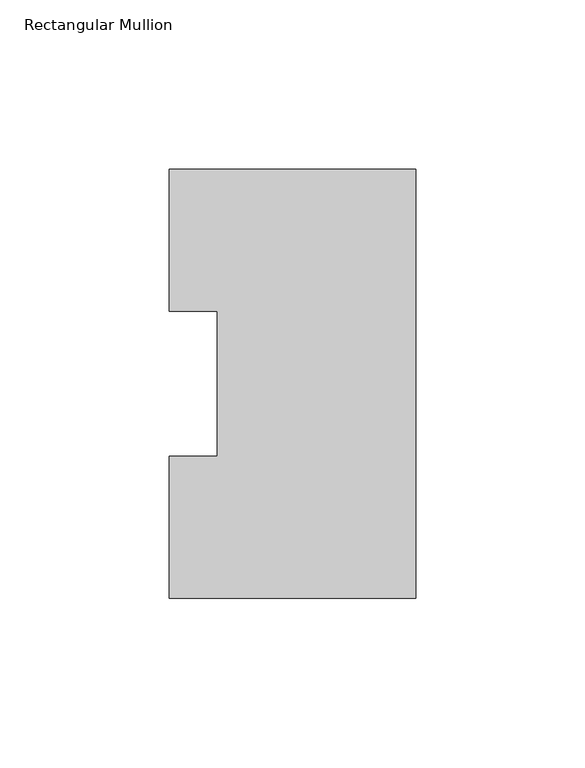
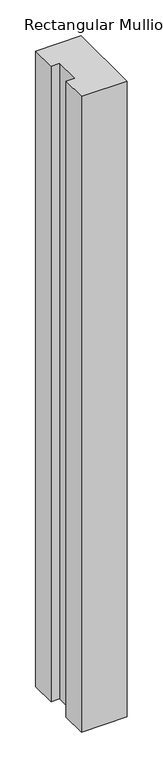
"""IFC4 building model written with IfcOpenShell, lengths in millimetres: member geometry, Rectangular Mullion."""

from ifc_helpers import new_model, si_unit, frame, origin, place, context, project, spatial, polyline, outline, extrude, source, transform, mapped, element, save


def rectangular_mullion_c63a0447(model_context):
    return source(origin(), model_context, "Body", "SweptSolid", [
        extrude(outline(polyline([(0.0, 127.00635), (0.0, 0.00635), (-73.025, 0.00635), (-73.025, 42.08145), (-58.7375, 42.08145), (-58.7375, 84.93125), (-73.025, 84.93125), (-73.025, 127.00635), (0.0, 127.00635)])), frame((0.0, 0.0, -1079.50635), z_axis=(0.0, 0.0, 1.0), x_axis=(1.0, 0.0, 0.0)), (0.0, 0.0, 1.0), 1079.50635),
    ])


if __name__ == "__main__":
    model = new_model("IFC4")
    model_context = context("Model", 3, world=origin())
    ifc_project = project(units=[si_unit("LENGTHUNIT", "METRE", prefix="MILLI")], contexts=[model_context])
    site = spatial("IfcSite", under=ifc_project)
    building = spatial("IfcBuilding", under=site)
    placement = place(None, origin())
    rectangular_mullion_shape = rectangular_mullion_c63a0447(model_context)
    element("IfcMember", 1, ObjectType="Rectangular Mullion", at=placement, inside=building, context=model_context, shape_type="MappedRepresentation", body=[
        mapped(rectangular_mullion_shape, transform((0.0, 0.0, 0.0), x_axis=(1.0, 0.0, 0.0), y_axis=(0.0, 1.0, 0.0), z_axis=(0.0, 0.0, 1.0))),
    ])
    save(model, "model.ifc")
